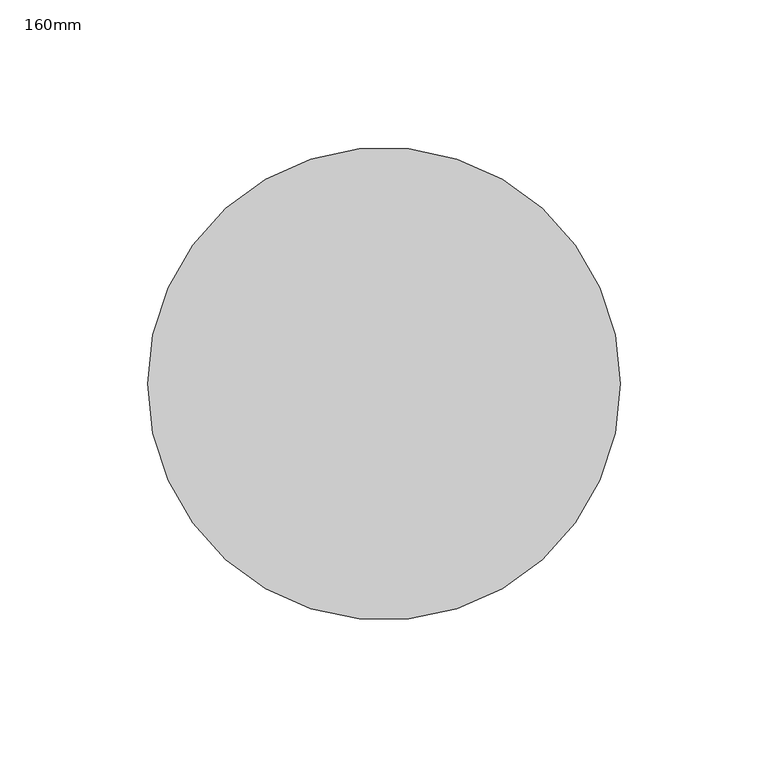
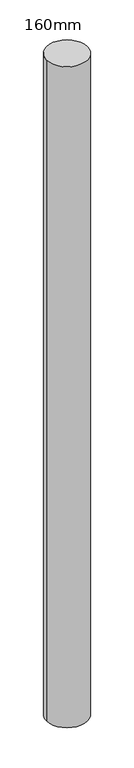
"""IFC4 building model written with IfcOpenShell, lengths in millimetres: column geometry, 160mm."""

from ifc_helpers import new_model, si_unit, point, frame, origin, origin_2d, place, context, project, spatial, circle_curve, trimmed, segment, composite_curve, outline, extrude, source, transform, mapped, element, save


def column_160mm_0f56462f(model_context):
    return source(origin(), model_context, "Body", "SweptSolid", [
        extrude(outline(composite_curve([segment(trimmed(circle_curve(origin_2d(), 80.0), [point((-80.0, 0.0))], [point((80.0, 0.0))], False, "CARTESIAN"), True, "CONTINUOUS"), segment(trimmed(circle_curve(origin_2d(), 80.0), [point((80.0, 0.0))], [point((-80.0, 0.0))], False, "CARTESIAN"), True, "CONTINUOUS")], self_intersect=False)), frame((0.0, 0.0, 11840.0), z_axis=(0.0, 0.0, 1.0), x_axis=(1.0, 0.0, 0.0)), (0.0, 0.0, 1.0), 2740.0),
    ])


if __name__ == "__main__":
    model = new_model("IFC4")
    model_context = context("Model", 3, world=origin())
    ifc_project = project(units=[si_unit("LENGTHUNIT", "METRE", prefix="MILLI")], contexts=[model_context])
    site = spatial("IfcSite", under=ifc_project)
    building = spatial("IfcBuilding", under=site)
    placement = place(None, origin())
    column_160mm_shape = column_160mm_0f56462f(model_context)
    element("IfcColumn", 1, ObjectType="160mm", at=placement, inside=building, context=model_context, shape_type="MappedRepresentation", body=[
        mapped(column_160mm_shape, transform((0.0, 0.0, 0.0), x_axis=(1.0, 0.0, 0.0), y_axis=(0.0, 1.0, 0.0), z_axis=(0.0, 0.0, 1.0))),
    ])
    save(model, "model.ifc")
